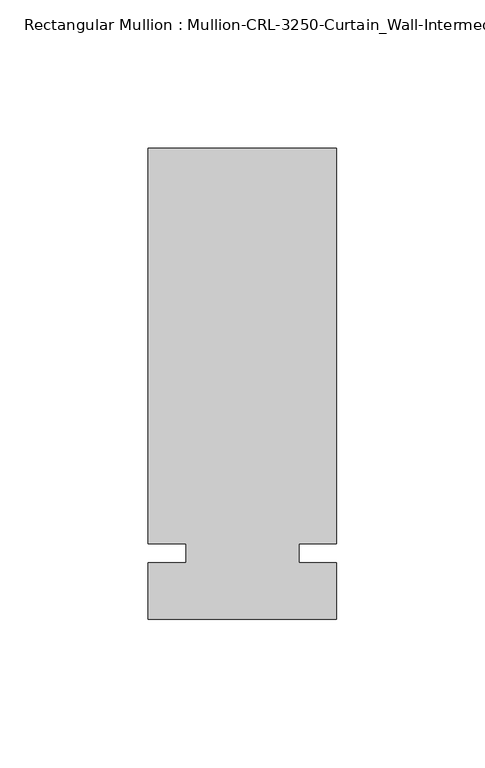
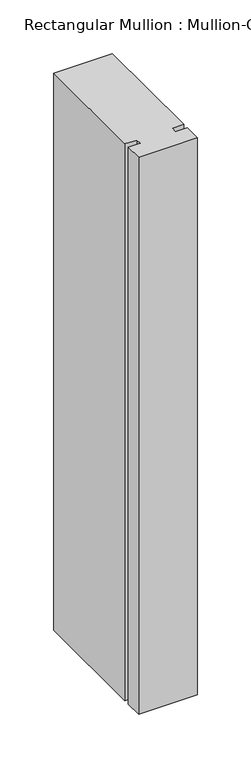
"""IFC4 building model written with IfcOpenShell, lengths in millimetres: member geometry."""

from ifc_helpers import new_model, si_unit, frame, origin, place, context, project, spatial, polyline, outline, extrude, source, transform, mapped, element, save


def member_db5e9822(model_context):
    return source(origin(), model_context, "Body", "SweptSolid", [
        extrude(outline(polyline([(31.7499985, -3.175), (31.7499985, -22.2254168), (-31.7499985, -22.2254168), (-31.7499985, -3.175), (-19.0499985, -3.175), (-19.0499985, 3.175), (-31.7499985, 3.175), (-31.7499985, 136.5246049), (31.7499985, 136.5246049), (31.7499985, 3.175), (19.0499985, 3.175), (19.0499985, -3.175), (31.7499985, -3.175)])), frame((0.0, 0.0, -635.0), z_axis=(0.0, 0.0, 1.0), x_axis=(1.0, 0.0, 0.0)), (0.0, 0.0, 1.0), 635.0),
    ])


if __name__ == "__main__":
    model = new_model("IFC4")
    model_context = context("Model", 3, world=origin())
    ifc_project = project(units=[si_unit("LENGTHUNIT", "METRE", prefix="MILLI")], contexts=[model_context])
    site = spatial("IfcSite", under=ifc_project)
    building = spatial("IfcBuilding", under=site)
    placement = place(None, origin())
    member_shape = member_db5e9822(model_context)
    element("IfcMember", 1, ObjectType="Rectangular Mullion : Mullion-CRL-3250-Curtain_Wall-Intermediate_Vertical-5\"", at=placement, inside=building, context=model_context, shape_type="MappedRepresentation", body=[
        mapped(member_shape, transform((0.0, 0.0, 0.0), x_axis=(1.0, 0.0, 0.0), y_axis=(0.0, 1.0, 0.0), z_axis=(0.0, 0.0, 1.0))),
    ])
    save(model, "model.ifc")
